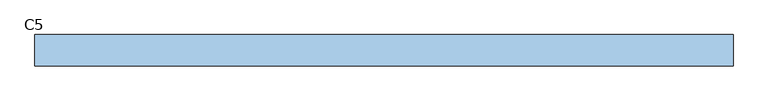
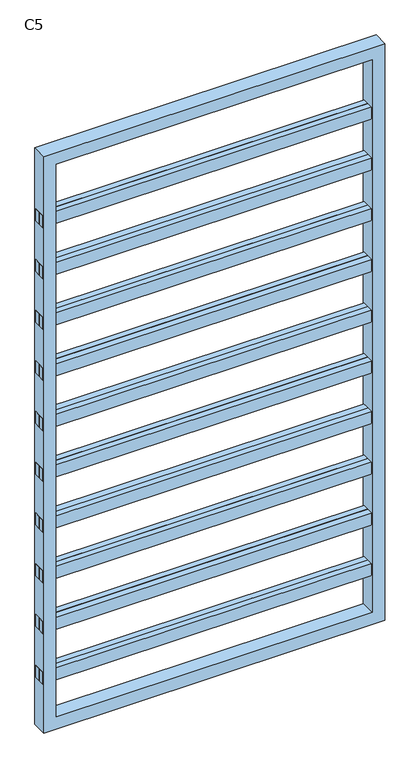
"""IFC4 building model written with IfcOpenShell, lengths in millimetres: window geometry, C5."""

from ifc_helpers import new_model, si_unit, frame, origin, place, context, project, spatial, polyline, outline, extrude, source, transform, mapped, element, save


def c5_39c900e6(model_context):
    return source(origin(), model_context, "Body", "SweptSolid", [
        extrude(outline(polyline([(-671.65, 0.0), (-671.65, 25.0), (671.65, 25.0), (671.65, 0.0), (-671.65, 0.0)])), frame((0.0, 0.0, 2088.8888889), z_axis=(0.0, 0.0, 1.0), x_axis=(1.0, 0.0, 0.0)), (0.0, 0.0, 1.0), 50.0),
        extrude(outline(polyline([(671.65, 0.0), (671.65, -25.0), (-671.65, -25.0), (-671.65, 0.0), (671.65, 0.0)])), frame((0.0, 0.0, 2088.8888889), z_axis=(0.0, 0.0, 1.0), x_axis=(1.0, 0.0, 0.0)), (0.0, 0.0, 1.0), 50.0),
        extrude(outline(polyline([(-671.65, 0.0), (-671.65, 25.0), (671.65, 25.0), (671.65, 0.0), (-671.65, 0.0)])), frame((0.0, 0.0, 1877.7777778), z_axis=(0.0, 0.0, 1.0), x_axis=(1.0, 0.0, 0.0)), (0.0, 0.0, 1.0), 50.0),
        extrude(outline(polyline([(671.65, 0.0), (671.65, -25.0), (-671.65, -25.0), (-671.65, 0.0), (671.65, 0.0)])), frame((0.0, 0.0, 1877.7777778), z_axis=(0.0, 0.0, 1.0), x_axis=(1.0, 0.0, 0.0)), (0.0, 0.0, 1.0), 50.0),
        extrude(outline(polyline([(-671.65, 0.0), (-671.65, 25.0), (671.65, 25.0), (671.65, 0.0), (-671.65, 0.0)])), frame((0.0, 0.0, 1666.6666667), z_axis=(0.0, 0.0, 1.0), x_axis=(1.0, 0.0, 0.0)), (0.0, 0.0, 1.0), 50.0),
        extrude(outline(polyline([(671.65, 0.0), (671.65, -25.0), (-671.65, -25.0), (-671.65, 0.0), (671.65, 0.0)])), frame((0.0, 0.0, 1666.6666667), z_axis=(0.0, 0.0, 1.0), x_axis=(1.0, 0.0, 0.0)), (0.0, 0.0, 1.0), 50.0),
        extrude(outline(polyline([(-671.65, 0.0), (-671.65, 25.0), (671.65, 25.0), (671.65, 0.0), (-671.65, 0.0)])), frame((0.0, 0.0, 1455.5555556), z_axis=(0.0, 0.0, 1.0), x_axis=(1.0, 0.0, 0.0)), (0.0, 0.0, 1.0), 50.0),
        extrude(outline(polyline([(671.65, 0.0), (671.65, -25.0), (-671.65, -25.0), (-671.65, 0.0), (671.65, 0.0)])), frame((0.0, 0.0, 1455.5555556), z_axis=(0.0, 0.0, 1.0), x_axis=(1.0, 0.0, 0.0)), (0.0, 0.0, 1.0), 50.0),
        extrude(outline(polyline([(-671.65, 0.0), (-671.65, 25.0), (671.65, 25.0), (671.65, 0.0), (-671.65, 0.0)])), frame((0.0, 0.0, 1244.4444444), z_axis=(0.0, 0.0, 1.0), x_axis=(1.0, 0.0, 0.0)), (0.0, 0.0, 1.0), 50.0),
        extrude(outline(polyline([(671.65, 0.0), (671.65, -25.0), (-671.65, -25.0), (-671.65, 0.0), (671.65, 0.0)])), frame((0.0, 0.0, 1244.4444444), z_axis=(0.0, 0.0, 1.0), x_axis=(1.0, 0.0, 0.0)), (0.0, 0.0, 1.0), 50.0),
        extrude(outline(polyline([(-671.65, 0.0), (-671.65, 25.0), (671.65, 25.0), (671.65, 0.0), (-671.65, 0.0)])), frame((0.0, 0.0, 1033.3333333), z_axis=(0.0, 0.0, 1.0), x_axis=(1.0, 0.0, 0.0)), (0.0, 0.0, 1.0), 50.0),
        extrude(outline(polyline([(671.65, 0.0), (671.65, -25.0), (-671.65, -25.0), (-671.65, 0.0), (671.65, 0.0)])), frame((0.0, 0.0, 1033.3333333), z_axis=(0.0, 0.0, 1.0), x_axis=(1.0, 0.0, 0.0)), (0.0, 0.0, 1.0), 50.0),
        extrude(outline(polyline([(-671.65, 0.0), (-671.65, 25.0), (671.65, 25.0), (671.65, 0.0), (-671.65, 0.0)])), frame((0.0, 0.0, 822.2222222), z_axis=(0.0, 0.0, 1.0), x_axis=(1.0, 0.0, 0.0)), (0.0, 0.0, 1.0), 50.0),
        extrude(outline(polyline([(671.65, 0.0), (671.65, -25.0), (-671.65, -25.0), (-671.65, 0.0), (671.65, 0.0)])), frame((0.0, 0.0, 822.2222222), z_axis=(0.0, 0.0, 1.0), x_axis=(1.0, 0.0, 0.0)), (0.0, 0.0, 1.0), 50.0),
        extrude(outline(polyline([(-671.65, 0.0), (-671.65, 25.0), (671.65, 25.0), (671.65, 0.0), (-671.65, 0.0)])), frame((0.0, 0.0, 611.1111111), z_axis=(0.0, 0.0, 1.0), x_axis=(1.0, 0.0, 0.0)), (0.0, 0.0, 1.0), 50.0),
        extrude(outline(polyline([(671.65, 0.0), (671.65, -25.0), (-671.65, -25.0), (-671.65, 0.0), (671.65, 0.0)])), frame((0.0, 0.0, 611.1111111), z_axis=(0.0, 0.0, 1.0), x_axis=(1.0, 0.0, 0.0)), (0.0, 0.0, 1.0), 50.0),
        extrude(outline(polyline([(-671.65, 0.0), (-671.65, 25.0), (671.65, 25.0), (671.65, 0.0), (-671.65, 0.0)])), frame((0.0, 0.0, 2300.0), z_axis=(0.0, 0.0, 1.0), x_axis=(1.0, 0.0, 0.0)), (0.0, 0.0, 1.0), 50.0),
        extrude(outline(polyline([(671.65, 0.0), (671.65, -25.0), (-671.65, -25.0), (-671.65, 0.0), (671.65, 0.0)])), frame((0.0, 0.0, 2300.0), z_axis=(0.0, 0.0, 1.0), x_axis=(1.0, 0.0, 0.0)), (0.0, 0.0, 1.0), 50.0),
        extrude(outline(polyline([(-671.65, 0.0), (-671.65, 25.0), (671.65, 25.0), (671.65, 0.0), (-671.65, 0.0)])), frame((0.0, 0.0, 400.0), z_axis=(0.0, 0.0, 1.0), x_axis=(1.0, 0.0, 0.0)), (0.0, 0.0, 1.0), 50.0),
        extrude(outline(polyline([(671.65, 0.0), (671.65, -25.0), (-671.65, -25.0), (-671.65, 0.0), (671.65, 0.0)])), frame((0.0, 0.0, 400.0), z_axis=(0.0, 0.0, 1.0), x_axis=(1.0, 0.0, 0.0)), (0.0, 0.0, 1.0), 50.0),
        extrude(outline(polyline([(2600.0, -671.65), (200.0, -671.65), (200.0, 671.65), (2600.0, 671.65), (2600.0, -671.65)]), holes=[polyline([(2550.0, 621.65), (250.0, 621.65), (250.0, -621.65), (2550.0, -621.65), (2550.0, 621.65)])]), frame((0.0, -30.0, 0.0), z_axis=(0.0, 1.0, 0.0), x_axis=(0.0, 0.0, 1.0)), (0.0, 0.0, 1.0), 60.0),
    ])


if __name__ == "__main__":
    model = new_model("IFC4")
    model_context = context("Model", 3, world=origin())
    ifc_project = project(units=[si_unit("LENGTHUNIT", "METRE", prefix="MILLI")], contexts=[model_context])
    site = spatial("IfcSite", under=ifc_project)
    building = spatial("IfcBuilding", under=site)
    placement = place(None, origin())
    c5_shape = c5_39c900e6(model_context)
    element("IfcWindow", 1, ObjectType="C5", at=placement, inside=building, context=model_context, shape_type="MappedRepresentation", body=[
        mapped(c5_shape, transform((0.0, 0.0, 0.0), x_axis=(1.0, 0.0, 0.0), y_axis=(0.0, 1.0, 0.0), z_axis=(0.0, 0.0, 1.0))),
    ])
    save(model, "model.ifc")
